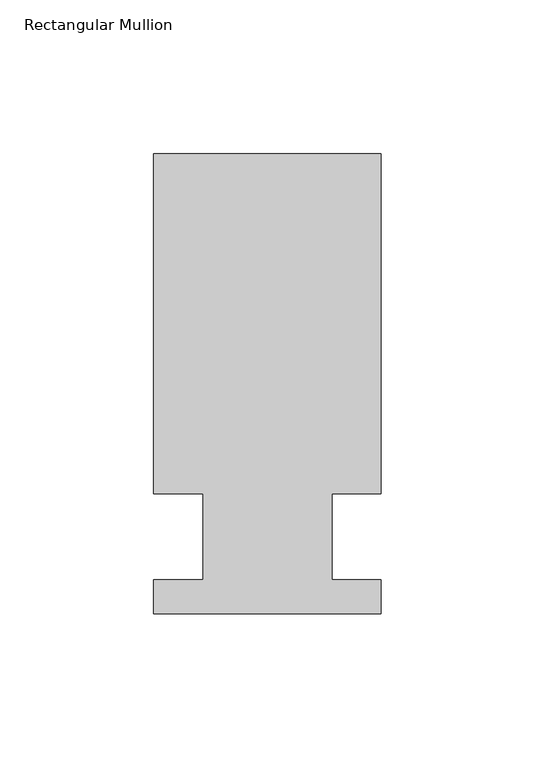
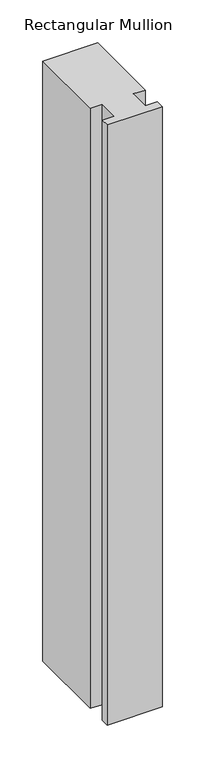
"""IFC4 building model written with IfcOpenShell, lengths in millimetres: member geometry, Rectangular Mullion."""

from ifc_helpers import new_model, si_unit, frame, origin, place, context, project, spatial, polyline, outline, extrude, source, transform, mapped, element, save


def rectangular_mullion_15ff0ae5(model_context):
    return source(origin(), model_context, "Body", "SweptSolid", [
        extrude(outline(polyline([(-20.9800745, 13.9998907), (-37.0, 13.9998907), (-37.0, 124.5), (37.0, 124.5), (37.0, 13.9998907), (20.9800745, 13.9998907), (20.9800745, -14.0), (36.9800745, -14.0), (36.9800745, -25.0), (-37.0, -25.0), (-37.0, -14.0), (-20.9800745, -14.0), (-20.9800745, 13.9998907)])), frame((0.0, 0.0, -853.9388447), z_axis=(0.0, 0.0, 1.0), x_axis=(1.0, 0.0, 0.0)), (0.0, 0.0, 1.0), 853.9388447),
    ])


if __name__ == "__main__":
    model = new_model("IFC4")
    model_context = context("Model", 3, world=origin())
    ifc_project = project(units=[si_unit("LENGTHUNIT", "METRE", prefix="MILLI")], contexts=[model_context])
    site = spatial("IfcSite", under=ifc_project)
    building = spatial("IfcBuilding", under=site)
    placement = place(None, origin())
    rectangular_mullion_shape = rectangular_mullion_15ff0ae5(model_context)
    element("IfcMember", 1, ObjectType="Rectangular Mullion", at=placement, inside=building, context=model_context, shape_type="MappedRepresentation", body=[
        mapped(rectangular_mullion_shape, transform((0.0, 0.0, 0.0), x_axis=(1.0, 0.0, 0.0), y_axis=(0.0, 1.0, 0.0), z_axis=(0.0, 0.0, 1.0))),
    ])
    save(model, "model.ifc")
